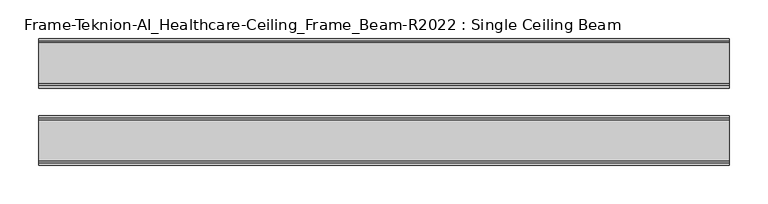
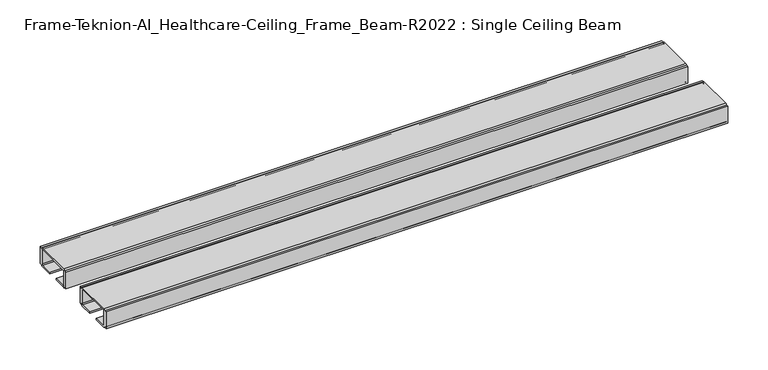
"""IFC4 building model written with IfcOpenShell, lengths in millimetres: furniture geometry, Frame-Teknion-AI_Healthcare-Ceiling_Frame_Beam-R2022 : Single Ceiling Beam."""

from ifc_helpers import new_model, si_unit, point, frame, frame_2d, origin, place, context, project, spatial, polyline, circle_curve, trimmed, segment, composite_curve, outline, extrude, source, transform, mapped, element, save


def frame_teknion_ai_healthcare_ceiling_frame_beam_r2022_single_22c00cf1(model_context):
    return source(origin(), model_context, "Body", "SweptSolid", [
        extrude(outline(composite_curve([segment(polyline([(82.1812471, 1573.5046), (79.0062502, 1573.5046), (79.0062502, 1574.6129989)]), True, "CONTINUOUS"), segment(trimmed(circle_curve(frame_2d((76.5932502, 1574.6129989)), 2.413), [point((79.0062502, 1574.6129989))], [point((76.5932502, 1572.199999))], False, "CARTESIAN"), True, "CONTINUOUS"), segment(polyline([(76.5932502, 1572.199999), (57.9437458, 1572.199999), (57.9437458, 1574.4859991), (75.4502513, 1574.4859991)]), True, "CONTINUOUS"), segment(trimmed(circle_curve(frame_2d((75.4502513, 1576.0099999)), 1.5240008), [point((75.4502513, 1574.4859991))], [point((76.9742521, 1576.0099999))], True, "CARTESIAN"), True, "CONTINUOUS"), segment(polyline([(76.9742521, 1576.0099999), (76.9742521, 1597.1520009)]), True, "CONTINUOUS"), segment(trimmed(circle_curve(frame_2d((75.9582531, 1597.1520009)), 1.015999), [point((76.9742521, 1597.1520009))], [point((75.9582531, 1598.168))], True, "CARTESIAN"), True, "CONTINUOUS"), segment(polyline([(75.9582531, 1598.168), (24.0542492, 1598.168)]), True, "CONTINUOUS"), segment(trimmed(circle_curve(frame_2d((24.0542492, 1597.1520009)), 1.015999), [point((24.0542492, 1598.168))], [point((23.0382502, 1597.1520009))], True, "CARTESIAN"), True, "CONTINUOUS"), segment(polyline([(23.0382502, 1597.1520009), (23.0382502, 1576.0099999)]), True, "CONTINUOUS"), segment(trimmed(circle_curve(frame_2d((24.562251, 1576.0099999)), 1.5240008), [point((23.0382502, 1576.0099999))], [point((24.562251, 1574.4859991))], True, "CARTESIAN"), True, "CONTINUOUS"), segment(polyline([(24.562251, 1574.4859991), (42.0687564, 1574.4859991), (42.0687564, 1572.199999), (23.4192521, 1572.199999)]), True, "CONTINUOUS"), segment(trimmed(circle_curve(frame_2d((23.4192521, 1574.6129989)), 2.413), [point((23.4192521, 1572.199999))], [point((21.0062521, 1574.6129989))], False, "CARTESIAN"), True, "CONTINUOUS"), segment(polyline([(21.0062521, 1574.6129989), (21.0062521, 1573.5046), (17.8312551, 1573.5046), (17.8312551, 1598.9045998), (21.0062521, 1598.9045998), (21.0062521, 1597.787)]), True, "CONTINUOUS"), segment(trimmed(circle_curve(frame_2d((23.4192521, 1597.787)), 2.413), [point((21.0062521, 1597.787))], [point((23.4192521, 1600.2))], False, "CARTESIAN"), True, "CONTINUOUS"), segment(polyline([(23.4192521, 1600.2), (76.5932502, 1600.2)]), True, "CONTINUOUS"), segment(trimmed(circle_curve(frame_2d((76.5932502, 1597.787)), 2.413), [point((76.5932502, 1600.2))], [point((79.0062502, 1597.787))], False, "CARTESIAN"), True, "CONTINUOUS"), segment(polyline([(79.0062502, 1597.787), (79.0062502, 1598.9045998), (82.1812471, 1598.9045998), (82.1812471, 1573.5046)]), True, "CONTINUOUS")], self_intersect=False)), frame((-447.7193698, 0.0, 0.0), z_axis=(1.0, 0.0, 0.0), x_axis=(0.0, 1.0, 0.0)), (0.0, 0.0, 1.0), 895.4387397),
        extrude(outline(composite_curve([segment(polyline([(-82.1812471, 1573.5046), (-82.1812471, 1598.9045998), (-79.0062456, 1598.9045998), (-79.0062456, 1597.787)]), True, "CONTINUOUS"), segment(trimmed(circle_curve(frame_2d((-76.5932457, 1597.787)), 2.413), [point((-79.0062456, 1597.787))], [point((-76.5932457, 1600.2))], False, "CARTESIAN"), True, "CONTINUOUS"), segment(polyline([(-76.5932457, 1600.2), (-23.4192475, 1600.2)]), True, "CONTINUOUS"), segment(trimmed(circle_curve(frame_2d((-23.4192475, 1597.787)), 2.413), [point((-23.4192475, 1600.2))], [point((-21.0062476, 1597.787))], False, "CARTESIAN"), True, "CONTINUOUS"), segment(polyline([(-21.0062476, 1597.787), (-21.0062476, 1598.9045998), (-17.8312506, 1598.9045998), (-17.8312506, 1573.5046), (-21.0062476, 1573.5046), (-21.0062476, 1574.6129989)]), True, "CONTINUOUS"), segment(trimmed(circle_curve(frame_2d((-23.4192475, 1574.6129989)), 2.413), [point((-21.0062476, 1574.6129989))], [point((-23.4192475, 1572.199999))], False, "CARTESIAN"), True, "CONTINUOUS"), segment(polyline([(-23.4192475, 1572.199999), (-42.0687519, 1572.199999), (-42.0687519, 1574.4859991), (-24.5622464, 1574.4859991)]), True, "CONTINUOUS"), segment(trimmed(circle_curve(frame_2d((-24.5622464, 1576.0099999)), 1.5240008), [point((-24.5622464, 1574.4859991))], [point((-23.0382456, 1576.0099999))], True, "CARTESIAN"), True, "CONTINUOUS"), segment(polyline([(-23.0382456, 1576.0099999), (-23.0382456, 1597.1520009)]), True, "CONTINUOUS"), segment(trimmed(circle_curve(frame_2d((-24.0542446, 1597.1520009)), 1.015999), [point((-23.0382456, 1597.1520009))], [point((-24.0542446, 1598.168))], True, "CARTESIAN"), True, "CONTINUOUS"), segment(polyline([(-24.0542446, 1598.168), (-75.9582485, 1598.168)]), True, "CONTINUOUS"), segment(trimmed(circle_curve(frame_2d((-75.9582485, 1597.1520009)), 1.015999), [point((-75.9582485, 1598.168))], [point((-76.9742476, 1597.1520009))], True, "CARTESIAN"), True, "CONTINUOUS"), segment(polyline([(-76.9742476, 1597.1520009), (-76.9742476, 1576.0099999)]), True, "CONTINUOUS"), segment(trimmed(circle_curve(frame_2d((-75.4502468, 1576.0099999)), 1.5240008), [point((-76.9742476, 1576.0099999))], [point((-75.4502468, 1574.4859991))], True, "CARTESIAN"), True, "CONTINUOUS"), segment(polyline([(-75.4502468, 1574.4859991), (-57.9437413, 1574.4859991), (-57.9437413, 1572.199999), (-76.5932457, 1572.199999)]), True, "CONTINUOUS"), segment(trimmed(circle_curve(frame_2d((-76.5932457, 1574.6129989)), 2.413), [point((-76.5932457, 1572.199999))], [point((-79.0062456, 1574.6129989))], False, "CARTESIAN"), True, "CONTINUOUS"), segment(polyline([(-79.0062456, 1574.6129989), (-79.0062456, 1573.5046), (-82.1812471, 1573.5046)]), True, "CONTINUOUS")], self_intersect=False)), frame((-447.7193698, 0.0, 0.0), z_axis=(1.0, 0.0, 0.0), x_axis=(0.0, 1.0, 0.0)), (0.0, 0.0, 1.0), 895.4387397),
    ])


if __name__ == "__main__":
    model = new_model("IFC4")
    model_context = context("Model", 3, world=origin())
    ifc_project = project(units=[si_unit("LENGTHUNIT", "METRE", prefix="MILLI")], contexts=[model_context])
    site = spatial("IfcSite", under=ifc_project)
    building = spatial("IfcBuilding", under=site)
    placement = place(None, origin())
    frame_teknion_ai_healthcare_ceiling_frame_beam_r2022_single_shape = frame_teknion_ai_healthcare_ceiling_frame_beam_r2022_single_22c00cf1(model_context)
    element("IfcFurniture", 1, ObjectType="Frame-Teknion-AI_Healthcare-Ceiling_Frame_Beam-R2022 : Single Ceiling Beam", at=placement, inside=building, context=model_context, shape_type="MappedRepresentation", body=[
        mapped(frame_teknion_ai_healthcare_ceiling_frame_beam_r2022_single_shape, transform((0.0, 0.0, 0.0), x_axis=(1.0, 0.0, 0.0), y_axis=(0.0, 1.0, 0.0), z_axis=(0.0, 0.0, 1.0))),
    ])
    save(model, "model.ifc")
